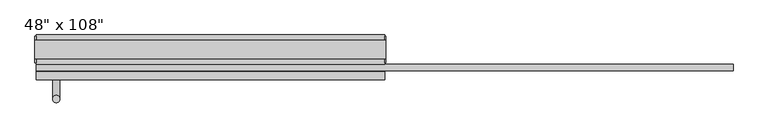
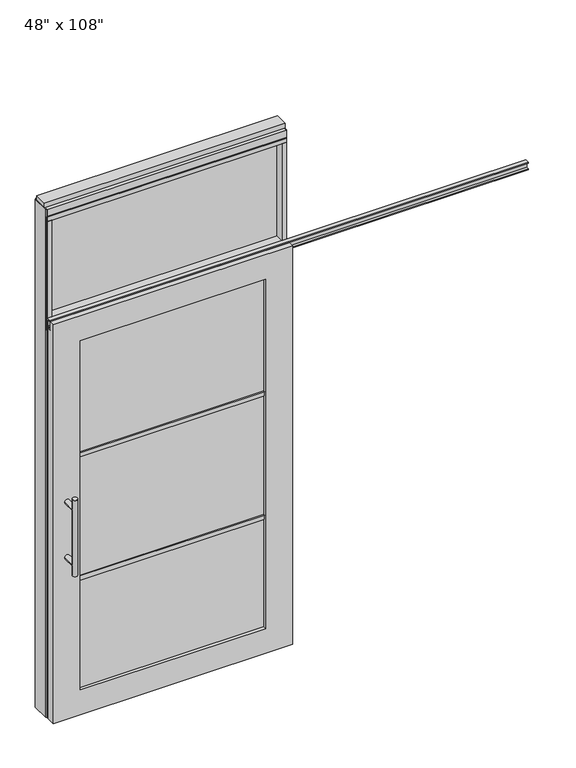
"""IFC4 building model written with IfcOpenShell, lengths in millimetres: furniture geometry."""

from ifc_helpers import new_model, si_unit, frame, origin, origin_with_axes, place, context, project, spatial, polyline, circle_curve, ellipse_curve, outline, extrude, faceted_brep, source, transform, mapped, element, save
from ifc_brep_helpers import plane_surface, cylinder_surface, advanced_brep


def furniture_ac686af3(model_context):
    return source(origin(), model_context, "Body", "SolidModel", [
        extrude(outline(polyline([(523.4014771, -9.5977216), (-643.4745229, -9.5977216), (-643.4745229, 0.5622784), (523.4014771, 0.5622784), (523.4014771, -9.5977216)])), frame((0.0, 0.0, 2133.6), z_axis=(0.0, 0.0, 1.0), x_axis=(1.0, 0.0, 0.0)), (0.0, 0.0, 1.0), 520.7),
        advanced_brep(
        [(-608.4225229, 3.3562784, 1219.2), (-583.0225229, 3.3562784, 1219.2), (-608.4225229, 3.3562784, 812.8), (-583.0225229, 3.3562784, 812.8), (-583.0225229, 3.3562784, 1164.336), (-583.0225229, 3.3562784, 867.664), (-608.4225229, 3.3562784, 867.664), (-608.4225229, 3.3562784, 1164.336), (-608.4225229, -64.2077216, 1164.336), (-583.0225229, -64.2077216, 1164.336), (-608.4225229, -64.2077216, 867.664), (-583.0225229, -64.2077216, 867.664)],
        [
            (0, 1, circle_curve(frame((-595.7225229, 3.3562784, 1219.2), z_axis=(0.0, 0.0, 1.0), x_axis=(1.0, 0.0, 0.0)), 12.7)),
            (1, 0, circle_curve(frame((-595.7225229, 3.3562784, 1219.2), z_axis=(0.0, 0.0, 1.0), x_axis=(1.0, 0.0, 0.0)), 12.7)),
            (2, 3, circle_curve(frame((-595.7225229, 3.3562784, 812.8), z_axis=(0.0, 0.0, -1.0), x_axis=(1.0, 0.0, 0.0)), 12.7)),
            (3, 2, circle_curve(frame((-595.7225229, 3.3562784, 812.8), z_axis=(0.0, 0.0, -1.0), x_axis=(1.0, 0.0, 0.0)), 12.7)),
            (1, 4),
            (4, 5),
            (5, 3),
            (2, 6),
            (6, 7),
            (7, 0),
            (6, 5, ellipse_curve(frame((-595.7225229, 3.3562784, 867.664), z_axis=(0.0, 0.707106781186565, 0.70710678118653), x_axis=(0.0, -0.70710678118653, 0.707106781186565)), 17.9605122, 12.7)),
            (4, 7, ellipse_curve(frame((-595.7225229, 3.3562784, 1164.336), z_axis=(0.0, 0.70710678118653, -0.7071067811865649), x_axis=(0.0, 0.7071067811865648, 0.7071067811865301)), 17.9605122, 12.7)),
            (7, 4, ellipse_curve(frame((-595.7225229, 3.3562784, 1164.336), z_axis=(0.0, 0.707106781186565, 0.70710678118653), x_axis=(0.0, -0.70710678118653, 0.707106781186565)), 17.9605122, 12.7)),
            (5, 6, ellipse_curve(frame((-595.7225229, 3.3562784, 867.664), z_axis=(0.0, 0.70710678118653, -0.7071067811865649), x_axis=(0.0, 0.7071067811865648, 0.7071067811865301)), 17.9605122, 12.7)),
            (8, 9, circle_curve(frame((-595.7225229, -64.2077216, 1164.336), z_axis=(0.0, -1.0, 0.0), x_axis=(1.0, 0.0, 0.0)), 12.7)),
            (9, 8, circle_curve(frame((-595.7225229, -64.2077216, 1164.336), z_axis=(0.0, -1.0, 0.0), x_axis=(1.0, 0.0, 0.0)), 12.7)),
            (8, 7),
            (4, 9),
            (10, 11, circle_curve(frame((-595.7225229, -64.2077216, 867.664), z_axis=(0.0, -1.0, 0.0), x_axis=(1.0, 0.0, 0.0)), 12.7)),
            (11, 10, circle_curve(frame((-595.7225229, -64.2077216, 867.664), z_axis=(0.0, -1.0, 0.0), x_axis=(1.0, 0.0, 0.0)), 12.7)),
            (10, 6),
            (5, 11),
        ],
        [
            plane_surface(frame((-583.0225229, 3.3562784, 1219.2), z_axis=(0.0, 0.0, 1.0), x_axis=(0.0, -1.0, 0.0))),
            plane_surface(frame((-583.0225229, 3.3562784, 812.8), z_axis=(0.0, 0.0, -1.0), x_axis=(0.0, 1.0, 0.0))),
            cylinder_surface(frame((-595.7225229, 3.3562784, 812.8), z_axis=(0.0, 0.0, 1.0), x_axis=(1.0, 0.0, 0.0)), 12.7),
            plane_surface(frame((-583.0225229, -64.2077216, 1164.336), z_axis=(0.0, -1.0, 0.0), x_axis=(0.0, 0.0, -1.0))),
            cylinder_surface(frame((-595.7225229, -64.2077216, 1164.336), z_axis=(0.0, 1.0, 0.0), x_axis=(1.0, 0.0, 0.0)), 12.7),
            plane_surface(frame((-583.0225229, -64.2077216, 867.664), z_axis=(0.0, -1.0, 0.0), x_axis=(0.0, 0.0, -1.0))),
            cylinder_surface(frame((-595.7225229, -64.2077216, 867.664), z_axis=(0.0, 1.0, 0.0), x_axis=(1.0, 0.0, 0.0)), 12.7),
        ],
        [
            (0, [[1, 2]]),
            (1, [[3, 4]]),
            (2, [[5, 6, 7, -3, 8, 9, 10, -2]]),
            (2, [[-9, 11, -6, 12]]),
            (2, [[-10, 13, -5, -1]]),
            (2, [[-7, 14, -8, -4]]),
            (3, [[15, 16]]),
            (4, [[17, -12, 18, -15]]),
            (4, [[-18, -13, -17, -16]]),
            (5, [[19, 20]]),
            (6, [[21, -14, 22, -19]]),
            (6, [[-22, -11, -21, -20]]),
        ],
    ),
        advanced_brep(
        [(-608.4225229, -176.2217216, 1219.2), (-583.0225229, -176.2217216, 1219.2), (-608.4225229, -176.2217216, 812.8), (-583.0225229, -176.2217216, 812.8), (-608.4225229, -176.2217216, 1164.336), (-608.4225229, -176.2217216, 867.664), (-583.0225229, -176.2217216, 867.664), (-583.0225229, -176.2217216, 1164.336), (-608.4225229, -108.6577216, 1164.336), (-583.0225229, -108.6577216, 1164.336), (-608.4225229, -108.6577216, 867.664), (-583.0225229, -108.6577216, 867.664)],
        [
            (0, 1, circle_curve(frame((-595.7225229, -176.2217216, 1219.2), z_axis=(0.0, 0.0, 1.0), x_axis=(1.0, 0.0, 0.0)), 12.7)),
            (1, 0, circle_curve(frame((-595.7225229, -176.2217216, 1219.2), z_axis=(0.0, 0.0, 1.0), x_axis=(1.0, 0.0, 0.0)), 12.7)),
            (2, 3, circle_curve(frame((-595.7225229, -176.2217216, 812.8), z_axis=(0.0, 0.0, -1.0), x_axis=(1.0, 0.0, 0.0)), 12.7)),
            (3, 2, circle_curve(frame((-595.7225229, -176.2217216, 812.8), z_axis=(0.0, 0.0, -1.0), x_axis=(1.0, 0.0, 0.0)), 12.7)),
            (0, 4),
            (4, 5),
            (5, 2),
            (3, 6),
            (6, 7),
            (7, 1),
            (7, 4, ellipse_curve(frame((-595.7225229, -176.2217216, 1164.336), z_axis=(0.0, -0.707106781186565, 0.70710678118653), x_axis=(0.0, 0.70710678118653, 0.707106781186565)), 17.9605122, 12.7)),
            (5, 6, ellipse_curve(frame((-595.7225229, -176.2217216, 867.664), z_axis=(0.0, -0.70710678118653, -0.7071067811865649), x_axis=(0.0, -0.7071067811865648, 0.7071067811865301)), 17.9605122, 12.7)),
            (4, 7, ellipse_curve(frame((-595.7225229, -176.2217216, 1164.336), z_axis=(0.0, -0.70710678118653, -0.7071067811865649), x_axis=(0.0, -0.7071067811865648, 0.7071067811865301)), 17.9605122, 12.7)),
            (6, 5, ellipse_curve(frame((-595.7225229, -176.2217216, 867.664), z_axis=(0.0, -0.707106781186565, 0.70710678118653), x_axis=(0.0, 0.70710678118653, 0.707106781186565)), 17.9605122, 12.7)),
            (8, 9, circle_curve(frame((-595.7225229, -108.6577216, 1164.336), z_axis=(0.0, 1.0, 0.0), x_axis=(1.0, 0.0, 0.0)), 12.7)),
            (9, 8, circle_curve(frame((-595.7225229, -108.6577216, 1164.336), z_axis=(0.0, 1.0, 0.0), x_axis=(1.0, 0.0, 0.0)), 12.7)),
            (9, 7),
            (4, 8),
            (10, 11, circle_curve(frame((-595.7225229, -108.6577216, 867.664), z_axis=(0.0, 1.0, 0.0), x_axis=(1.0, 0.0, 0.0)), 12.7)),
            (11, 10, circle_curve(frame((-595.7225229, -108.6577216, 867.664), z_axis=(0.0, 1.0, 0.0), x_axis=(1.0, 0.0, 0.0)), 12.7)),
            (11, 6),
            (5, 10),
        ],
        [
            plane_surface(frame((-583.0225229, -176.2217216, 1219.2), z_axis=(0.0, 0.0, 1.0), x_axis=(0.0, 1.0, 0.0))),
            plane_surface(frame((-583.0225229, -176.2217216, 812.8), z_axis=(0.0, 0.0, -1.0), x_axis=(0.0, -1.0, 0.0))),
            cylinder_surface(frame((-595.7225229, -176.2217216, 812.8), z_axis=(0.0, 0.0, 1.0), x_axis=(1.0, 0.0, 0.0)), 12.7),
            plane_surface(frame((-583.0225229, -108.6577216, 1164.336), z_axis=(0.0, 1.0, 0.0), x_axis=(0.0, 0.0, -1.0))),
            cylinder_surface(frame((-595.7225229, -108.6577216, 1164.336), z_axis=(0.0, -1.0, 0.0), x_axis=(1.0, 0.0, 0.0)), 12.7),
            plane_surface(frame((-583.0225229, -108.6577216, 867.664), z_axis=(0.0, 1.0, 0.0), x_axis=(0.0, 0.0, -1.0))),
            cylinder_surface(frame((-595.7225229, -108.6577216, 867.664), z_axis=(0.0, -1.0, 0.0), x_axis=(1.0, 0.0, 0.0)), 12.7),
        ],
        [
            (0, [[1, 2]]),
            (1, [[3, 4]]),
            (2, [[-1, 5, 6, 7, -4, 8, 9, 10]]),
            (2, [[-2, -10, 11, -5]]),
            (2, [[-3, -7, 12, -8]]),
            (2, [[13, -9, 14, -6]]),
            (3, [[15, 16]]),
            (4, [[-16, 17, -13, 18]]),
            (4, [[-15, -18, -11, -17]]),
            (5, [[19, 20]]),
            (6, [[-20, 21, -12, 22]]),
            (6, [[-19, -22, -14, -21]]),
        ],
    ),
        extrude(outline(polyline([(-529.6825229, -97.5452216), (-529.6825229, -75.3202216), (409.6094771, -75.3202216), (409.6094771, -97.5452216), (-529.6825229, -97.5452216)])), frame((0.0, 0.0, 1371.6), z_axis=(0.0, 0.0, 1.0), x_axis=(1.0, 0.0, 0.0)), (0.0, 0.0, 1.0), 22.225),
        extrude(outline(polyline([(-529.6825229, -97.5452216), (-529.6825229, -75.3202216), (409.6094771, -75.3202216), (409.6094771, -97.5452216), (-529.6825229, -97.5452216)])), frame((0.0, 0.0, 711.2), z_axis=(0.0, 0.0, 1.0), x_axis=(1.0, 0.0, 0.0)), (0.0, 0.0, 1.0), 22.225),
        extrude(outline(polyline([(409.6094771, -91.5127216), (-529.6825229, -91.5127216), (-529.6825229, -81.3527216), (409.6094771, -81.3527216), (409.6094771, -91.5127216)])), frame((0.0, 0.0, 132.969), z_axis=(0.0, 0.0, 1.0), x_axis=(1.0, 0.0, 0.0)), (0.0, 0.0, 1.0), 1867.662),
        extrude(outline(polyline([(-77.9237216, 2097.278), (-77.9237216, 2102.612), (-65.2237216, 2102.612), (-65.2237216, 2131.568), (-77.9237216, 2131.568), (-77.9237216, 2136.902), (-56.2067216, 2136.902), (-56.2067216, 2097.278), (-77.9237216, 2097.278)])), frame((-665.6995229, 0.0, 0.0), z_axis=(1.0, 0.0, 0.0), x_axis=(0.0, 1.0, 0.0)), (0.0, 0.0, 1.0), 2422.652),
        faceted_brep([(-665.6995229, -108.6577216, 0.0), (545.6264771, -108.6577216, 0.0), (545.6264771, -108.6577216, 2133.6), (-665.6995229, -108.6577216, 2133.6), (409.6094771, -108.6577216, 2000.631), (409.6094771, -108.6577216, 132.969), (-529.6825229, -108.6577216, 132.969), (-529.6825229, -108.6577216, 2000.631), (-665.6995229, -81.2257216, 2133.6), (545.6264771, -81.2257216, 2133.6), (545.6264771, -81.2257216, 2089.023), (-665.6995229, -81.2257216, 2089.023), (-665.6995229, -64.2077216, 2089.023), (-665.6995229, -64.2077216, 0.0), (545.6264771, -64.2077216, 0.0), (545.6264771, -64.2077216, 2089.023), (409.6094771, -64.2077216, 2000.631), (-529.6825229, -64.2077216, 2000.631), (-529.6825229, -64.2077216, 132.969), (409.6094771, -64.2077216, 132.969)], [[[0, 1, 2, 3], [4, 5, 6, 7]], [[8, 9, 10, 11]], [[0, 3, 8, 11, 12, 13]], [[2, 1, 14, 15, 10, 9]], [[3, 2, 9, 8]], [[15, 14, 13, 12], [16, 17, 18, 19]], [[15, 12, 11, 10]], [[1, 0, 13, 14]], [[5, 4, 16, 19]], [[6, 5, 19, 18]], [[7, 6, 18, 17]], [[4, 7, 17, 16]]]),
        extrude(outline(polyline([(-643.4745229, -55.3177216), (-665.6995229, -55.3177216), (-665.6995229, 46.2822784), (-643.4745229, 46.2822784), (-643.4745229, -55.3177216)])), frame((0.0, 0.0, 2133.6), z_axis=(0.0, 0.0, 1.0), x_axis=(1.0, 0.0, 0.0)), (0.0, 0.0, 1.0), 520.7),
        extrude(outline(polyline([(523.4014771, -55.3177216), (523.4014771, 46.2822784), (545.6264771, 46.2822784), (545.6264771, -55.3177216), (523.4014771, -55.3177216)])), frame((0.0, 0.0, 2133.6), z_axis=(0.0, 0.0, 1.0), x_axis=(1.0, 0.0, 0.0)), (0.0, 0.0, 1.0), 520.7),
        extrude(outline(polyline([(-665.6995229, -55.3177216), (-665.6995229, 46.2822784), (545.6264771, 46.2822784), (545.6264771, -55.3177216), (-665.6995229, -55.3177216)])), frame((0.0, 0.0, 2070.1), z_axis=(0.0, 0.0, 1.0), x_axis=(1.0, 0.0, 0.0)), (0.0, 0.0, 1.0), 22.225),
        extrude(outline(polyline([(-55.3177216, 2097.278), (-55.3177216, 2133.6), (46.2822784, 2133.6), (46.2822784, 2097.278), (41.3292784, 2097.278), (41.3292784, 2092.325), (-50.3647216, 2092.325), (-50.3647216, 2097.278), (-55.3177216, 2097.278)])), frame((-665.6995229, 0.0, 0.0), z_axis=(1.0, 0.0, 0.0), x_axis=(0.0, 1.0, 0.0)), (0.0, 0.0, 1.0), 1211.326),
        extrude(outline(polyline([(-665.6995229, -55.3177216), (-665.6995229, 46.2822784), (545.6264771, 46.2822784), (545.6264771, -55.3177216), (-665.6995229, -55.3177216)])), frame((0.0, 0.0, 2654.3), z_axis=(0.0, 0.0, 1.0), x_axis=(1.0, 0.0, 0.0)), (0.0, 0.0, 1.0), 22.225),
        extrude(outline(polyline([(549.5634771, -50.3647216), (545.6264771, -50.3647216), (545.6264771, 41.3292784), (549.5634771, 41.3292784), (549.5634771, -50.3647216)])), origin_with_axes(), (0.0, 0.0, 1.0), 2717.8),
        extrude(outline(polyline([(-669.6365229, -50.3647216), (-669.6365229, 41.3292784), (-665.6995229, 41.3292784), (-665.6995229, -50.3647216), (-669.6365229, -50.3647216)])), origin_with_axes(), (0.0, 0.0, 1.0), 2717.8),
        extrude(outline(polyline([(523.4014771, -55.3177216), (523.4014771, 46.2822784), (545.6264771, 46.2822784), (545.6264771, -55.3177216), (523.4014771, -55.3177216)])), origin_with_axes(), (0.0, 0.0, 1.0), 2070.1),
        extrude(outline(polyline([(-643.4745229, -55.3177216), (-665.6995229, -55.3177216), (-665.6995229, 46.2822784), (-643.4745229, 46.2822784), (-643.4745229, -55.3177216)])), origin_with_axes(), (0.0, 0.0, 1.0), 2070.1),
        extrude(outline(polyline([(-55.3177216, 2681.478), (-55.3177216, 2717.8), (46.2822784, 2717.8), (46.2822784, 2681.478), (41.3292784, 2681.478), (41.3292784, 2676.525), (-50.3647216, 2676.525), (-50.3647216, 2681.478), (-55.3177216, 2681.478)])), frame((-665.6995229, 0.0, 0.0), z_axis=(1.0, 0.0, 0.0), x_axis=(0.0, 1.0, 0.0)), (0.0, 0.0, 1.0), 1211.326),
        extrude(outline(polyline([(-669.6365229, -37.0297216), (-669.6365229, 27.9942784), (549.5634771, 27.9942784), (549.5634771, -37.0297216), (-669.6365229, -37.0297216)])), frame((0.0, 0.0, 2717.8), z_axis=(0.0, 0.0, 1.0), x_axis=(1.0, 0.0, 0.0)), (0.0, 0.0, 1.0), 25.4),
    ])


if __name__ == "__main__":
    model = new_model("IFC4")
    model_context = context("Model", 3, world=origin())
    ifc_project = project(units=[si_unit("LENGTHUNIT", "METRE", prefix="MILLI")], contexts=[model_context])
    site = spatial("IfcSite", under=ifc_project)
    building = spatial("IfcBuilding", under=site)
    placement = place(None, origin())
    furniture_shape = furniture_ac686af3(model_context)
    element("IfcFurniture", 1, ObjectType="48\" x 108\"", at=placement, inside=building, context=model_context, shape_type="MappedRepresentation", body=[
        mapped(furniture_shape, transform((0.0, 0.0, 0.0), x_axis=(1.0, 0.0, 0.0), y_axis=(0.0, 1.0, 0.0), z_axis=(0.0, 0.0, 1.0))),
    ])
    save(model, "model.ifc")
